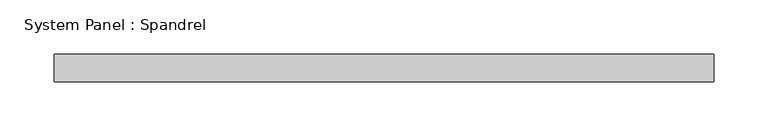
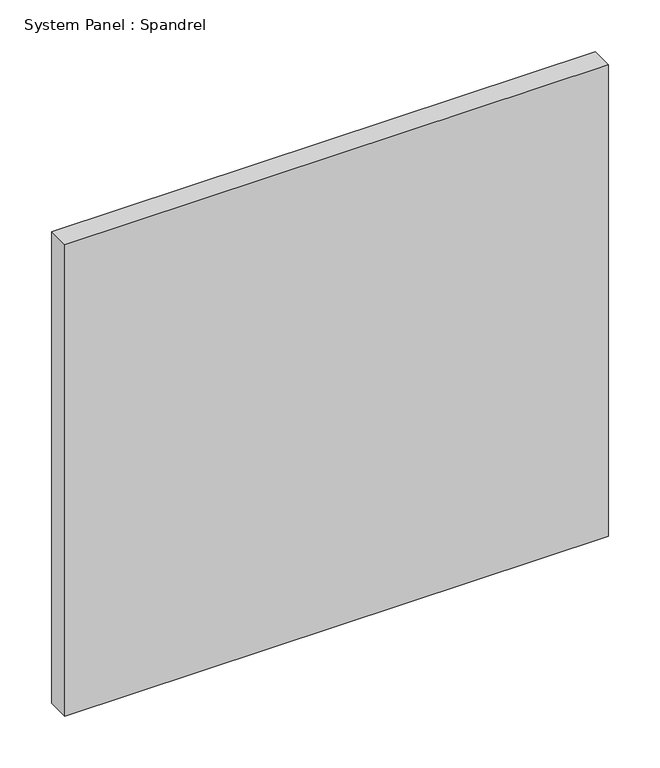
"""IFC4 building model written with IfcOpenShell, lengths in millimetres: plate geometry, System Panel : Spandrel."""

from ifc_helpers import new_model, si_unit, origin, origin_with_axes, place, context, project, spatial, polyline, outline, extrude, source, transform, mapped, element, save


def system_panel_spandrel_990d1df0(model_context):
    return source(origin(), model_context, "Body", "SweptSolid", [
        extrude(outline(polyline([(304.8, -12.7), (-304.8, -12.7), (-304.8, 12.7), (304.8, 12.7), (304.8, -12.7)])), origin_with_axes(), (0.0, 0.0, 1.0), 558.8),
    ])


if __name__ == "__main__":
    model = new_model("IFC4")
    model_context = context("Model", 3, world=origin())
    ifc_project = project(units=[si_unit("LENGTHUNIT", "METRE", prefix="MILLI")], contexts=[model_context])
    site = spatial("IfcSite", under=ifc_project)
    building = spatial("IfcBuilding", under=site)
    placement = place(None, origin())
    system_panel_spandrel_shape = system_panel_spandrel_990d1df0(model_context)
    element("IfcPlate", 1, ObjectType="System Panel : Spandrel", at=placement, inside=building, context=model_context, shape_type="MappedRepresentation", body=[
        mapped(system_panel_spandrel_shape, transform((0.0, 0.0, 0.0), x_axis=(1.0, 0.0, 0.0), y_axis=(0.0, 1.0, 0.0), z_axis=(0.0, 0.0, 1.0))),
    ])
    save(model, "model.ifc")
